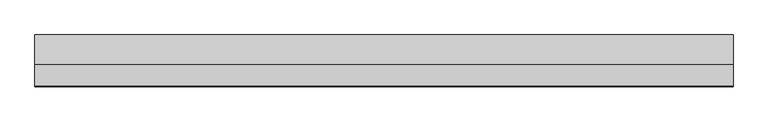
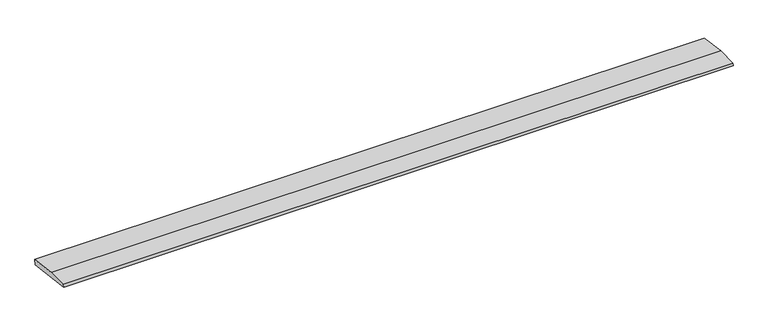
"""IFC4 building model written with IfcOpenShell, lengths in millimetres: beam geometry."""

import ifcopenshell
import ifcopenshell.guid

model = None  # the IFC model being written
_history = None  # IfcOwnerHistory: only IFC2X3 demands one
_inside = {}  # id of a spatial element -> (the spatial element, [elements in it])
_under = {}  # id of a project, library or spatial element -> (it, [spatial elements below it])
_declared = {}  # id of a project -> (the project, [libraries it declares])
_typed = {}  # id of a type object -> (the type object, [elements of that type])
_made_of = {}  # id of a material, layer set ... -> (it, [elements and type objects made of it])


def new_model(schema):
    """Start an empty IFC model of exactly this schema.

    Asked for "IFC4X3", IfcOpenShell would pick the latest addendum, in which some entities
    have other attributes; the version numbers below select the first issue.
    IFC2X3 requires an IfcOwnerHistory on every rooted entity: one is made here for all.
    """
    global model, _history
    if schema == "IFC4X3":
        model = ifcopenshell.file(schema_version=(4, 3, 0, 0))
    else:
        model = ifcopenshell.file(schema=schema)
    _inside.clear()
    _under.clear()
    _declared.clear()
    _typed.clear()
    _made_of.clear()
    _history = None
    if model.schema == "IFC2X3":
        org = make("IfcOrganization", Name="unknown")
        user = make(
            "IfcPersonAndOrganization",
            ThePerson=make("IfcPerson", FamilyName="unknown"),
            TheOrganization=org,
        )
        app = make(
            "IfcApplication",
            ApplicationDeveloper=org,
            Version="unknown",
            ApplicationFullName="unknown",
            ApplicationIdentifier="unknown",
        )
        _history = make(
            "IfcOwnerHistory",
            OwningUser=user,
            OwningApplication=app,
            ChangeAction="ADDED",
            CreationDate=0,
        )
    return model


def make(cls, **values):
    """One entity of the class cls with the attributes given. An attribute that is None is left unset."""
    return model.create_entity(
        cls, **{name: value for name, value in values.items() if value is not None}
    )


def rooted(cls, **values):
    """An entity with a GlobalId (a new one), such as an element, a storey or a relation."""
    return make(cls, GlobalId=ifcopenshell.guid.new(), OwnerHistory=_history, **values)


def si_unit(unit_type, name, prefix=None):
    """IfcSIUnit, for example si_unit("LENGTHUNIT", "METRE", prefix="MILLI")."""
    return make("IfcSIUnit", UnitType=unit_type, Prefix=prefix, Name=name)


def assignment(units):
    """IfcUnitAssignment: the units of a project."""
    return None if units is None else make("IfcUnitAssignment", Units=units)


def point(xyz):
    """IfcCartesianPoint."""
    return None if xyz is None else make("IfcCartesianPoint", Coordinates=xyz)


def direction(xyz):
    """IfcDirection."""
    return None if xyz is None else make("IfcDirection", DirectionRatios=xyz)


def frame(location, z_axis=None, x_axis=None):
    """IfcAxis2Placement3D, a coordinate frame: its origin and axes. An axis left out is left unset."""
    return make(
        "IfcAxis2Placement3D",
        Location=point(location),
        Axis=direction(z_axis),
        RefDirection=direction(x_axis),
    )


def origin():
    """The frame at (0, 0, 0) with its axes left unset."""
    return frame((0.0, 0.0, 0.0))


def place(relative_to, where):
    """IfcLocalPlacement: puts the frame where relative to a parent placement (None: the world)."""
    return make(
        "IfcLocalPlacement", PlacementRelTo=relative_to, RelativePlacement=where
    )


def context(
    kind, dimensions, precision=None, world=None, true_north=None, identifier=None
):
    """IfcGeometricRepresentationContext, for example the 3D "Model" context."""
    return make(
        "IfcGeometricRepresentationContext",
        ContextIdentifier=identifier,
        ContextType=kind,
        CoordinateSpaceDimension=dimensions,
        Precision=precision,
        WorldCoordinateSystem=world,
        TrueNorth=true_north,
    )


def project(units=None, contexts=None):
    """IfcProject with its units and contexts."""
    return rooted(
        "IfcProject",
        Name="project",
        RepresentationContexts=contexts,
        UnitsInContext=assignment(units),
    )


def spatial(cls, under=None, at=None, **own):
    """A site, building, storey or space (cls), placed at a placement, below another one or the project."""
    s = rooted(cls, ObjectPlacement=at, **own)
    if under is not None:
        _under.setdefault(under.id(), (under, []))[1].append(s)
    return s


def polyline(points):
    """IfcPolyline through the points."""
    return make("IfcPolyline", Points=[point(p) for p in points])


def outline(outer, holes=None, kind="AREA"):
    """IfcArbitraryClosedProfileDef: a profile drawn as a closed curve; with holes, ...WithVoids."""
    if holes is None:
        return make("IfcArbitraryClosedProfileDef", ProfileType=kind, OuterCurve=outer)
    return make(
        "IfcArbitraryProfileDefWithVoids",
        ProfileType=kind,
        OuterCurve=outer,
        InnerCurves=holes,
    )


def extrude(swept, where, along, depth):
    """IfcExtrudedAreaSolid: the profile swept, set in the frame where, extruded along a direction by depth."""
    return make(
        "IfcExtrudedAreaSolid",
        SweptArea=swept,
        Position=where,
        ExtrudedDirection=direction(along),
        Depth=depth,
    )


def shape(context_of_items, identifier, shape_type, items):
    """IfcShapeRepresentation: the items that make up one representation, for example the "Body"."""
    return make(
        "IfcShapeRepresentation",
        ContextOfItems=context_of_items,
        RepresentationIdentifier=identifier,
        RepresentationType=shape_type,
        Items=items,
    )


def source(mapping_origin, context_of_items, identifier, shape_type, items):
    """IfcRepresentationMap: a shape defined once, which mapped items show again and again."""
    return make(
        "IfcRepresentationMap",
        MappingOrigin=mapping_origin,
        MappedRepresentation=shape(context_of_items, identifier, shape_type, items),
    )


def transform(
    local_origin,
    x_axis=None,
    y_axis=None,
    z_axis=None,
    scale=None,
    scale2=None,
    scale3=None,
    uniform=True,
):
    """IfcCartesianTransformationOperator3D, or its non-uniform kind. x_axis, y_axis, z_axis: its Axis1, 2, 3."""
    if uniform:
        return make(
            "IfcCartesianTransformationOperator3D",
            Axis1=direction(x_axis),
            Axis2=direction(y_axis),
            LocalOrigin=point(local_origin),
            Scale=scale,
            Axis3=direction(z_axis),
        )
    return make(
        "IfcCartesianTransformationOperator3DnonUniform",
        Axis1=direction(x_axis),
        Axis2=direction(y_axis),
        LocalOrigin=point(local_origin),
        Scale=scale,
        Axis3=direction(z_axis),
        Scale2=scale2,
        Scale3=scale3,
    )


def mapped(mapping_source, mapping_target):
    """IfcMappedItem: shows the shape of a source again, moved by a transform."""
    return make(
        "IfcMappedItem", MappingSource=mapping_source, MappingTarget=mapping_target
    )


def made_of(thing, what):
    """Note that an element or type object is made of a material, layer set ...; save() writes the relation."""
    if what is not None:
        _made_of.setdefault(what.id(), (what, []))[1].append(thing)
    return thing


def element(
    cls,
    number,
    at=None,
    inside=None,
    cuts=None,
    type_object=None,
    material=None,
    context=None,
    identifier="Body",
    shape_type=None,
    held_by="IfcProductDefinitionShape",
    body=None,
    shapes=None,
    **own,
):
    """One element of the class cls, such as IfcWall. Its Tag is "e" and its number.

    at: its placement. inside: the storey or other place that contains it. cuts: it is an
    opening in that element (IfcRelVoidsElement). A single representation is given by context,
    identifier, shape_type and body (its items); several are given by shapes. held_by: the class
    of the entity that holds the representations. save() writes the other relations.
    """
    e = rooted(cls, Tag="e%d" % number, ObjectPlacement=at, **own)
    if body is not None:
        shapes = [shape(context, identifier, shape_type, body)]
    if shapes is not None:
        e.Representation = make(held_by, Representations=shapes)
    if inside is not None:
        _inside.setdefault(inside.id(), (inside, []))[1].append(e)
    if cuts is not None:
        rooted(
            "IfcRelVoidsElement", RelatingBuildingElement=cuts, RelatedOpeningElement=e
        )
    if type_object is not None:
        _typed.setdefault(type_object.id(), (type_object, []))[1].append(e)
    return made_of(e, material)


def aggregate(whole, parts):
    """IfcRelAggregates: a whole, such as a stair, and the parts it consists of."""
    return rooted("IfcRelAggregates", RelatingObject=whole, RelatedObjects=parts)


def save(model, path):
    """Write the relations noted so far, then the file.

    IfcRelAggregates (storeys below a building ...), IfcRelContainedInSpatialStructure (elements
    in a storey), IfcRelDefinesByType, IfcRelAssociatesMaterial and IfcRelDeclares: one each for
    every whole, place, type object, material and project.
    """
    for whole, parts in _under.values():
        aggregate(whole, parts)
    for where, things in _inside.values():
        rooted(
            "IfcRelContainedInSpatialStructure",
            RelatedElements=things,
            RelatingStructure=where,
        )
    for kind, things in _typed.values():
        rooted("IfcRelDefinesByType", RelatedObjects=things, RelatingType=kind)
    for what, things in _made_of.values():
        rooted("IfcRelAssociatesMaterial", RelatedObjects=things, RelatingMaterial=what)
    for by, libraries in _declared.values():
        rooted("IfcRelDeclares", RelatingContext=by, RelatedDefinitions=libraries)
    model.write(path)


def beam_d161b6fd(model_context):
    return source(origin(), model_context, "Body", "SweptSolid", [
        extrude(outline(polyline([(0.0, -9.143159), (1.1226388, 0.0), (79.0749747, 0.0), (180.9387048, -12.5072934), (178.6231873, -31.3656703), (0.0, -9.143159)])), frame((-1217.0944172, 0.0, 0.0), z_axis=(1.0, 0.0, 0.0), x_axis=(0.0, 1.0, 0.0)), (0.0, 0.0, 1.0), 2434.1888343),
    ])


if __name__ == "__main__":
    model = new_model("IFC4")
    model_context = context("Model", 3, world=origin())
    ifc_project = project(units=[si_unit("LENGTHUNIT", "METRE", prefix="MILLI")], contexts=[model_context])
    site = spatial("IfcSite", under=ifc_project)
    building = spatial("IfcBuilding", under=site)
    placement = place(None, origin())
    beam_shape = beam_d161b6fd(model_context)
    element("IfcBeam", 1, at=placement, inside=building, context=model_context, shape_type="MappedRepresentation", body=[
        mapped(beam_shape, transform((0.0, 0.0, 0.0), x_axis=(1.0, 0.0, 0.0), y_axis=(0.0, 1.0, 0.0), z_axis=(0.0, 0.0, 1.0))),
    ])
    save(model, "model.ifc")
